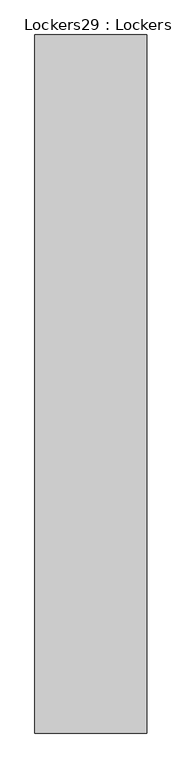
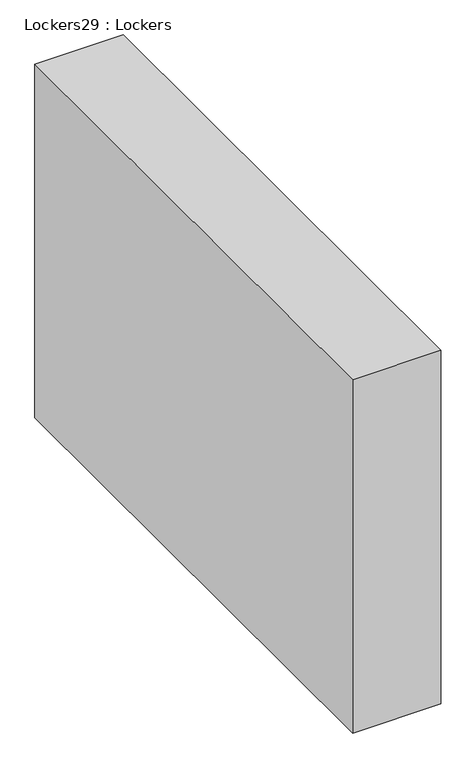
"""IFC4 building model written with IfcOpenShell, lengths in millimetres: furniture geometry, Lockers29 : Lockers."""

from ifc_helpers import new_model, si_unit, origin, origin_with_axes, place, context, project, spatial, polyline, outline, extrude, source, transform, mapped, element, save


def lockers29_lockers_87a3224b(model_context):
    return source(origin(), model_context, "Body", "SweptSolid", [
        extrude(outline(polyline([(-416495.2141271, -25530.4368178), (-416495.2141271, -28222.8368178), (-416927.0141271, -28222.8368178), (-416927.0141271, -25530.4368178), (-416495.2141271, -25530.4368178)])), origin_with_axes(), (0.0, 0.0, 1.0), 1828.8),
    ])


if __name__ == "__main__":
    model = new_model("IFC4")
    model_context = context("Model", 3, world=origin())
    ifc_project = project(units=[si_unit("LENGTHUNIT", "METRE", prefix="MILLI")], contexts=[model_context])
    site = spatial("IfcSite", under=ifc_project)
    building = spatial("IfcBuilding", under=site)
    placement = place(None, origin())
    lockers29_lockers_shape = lockers29_lockers_87a3224b(model_context)
    element("IfcFurniture", 1, ObjectType="Lockers29 : Lockers", at=placement, inside=building, context=model_context, shape_type="MappedRepresentation", body=[
        mapped(lockers29_lockers_shape, transform((0.0, 0.0, 0.0), x_axis=(1.0, 0.0, 0.0), y_axis=(0.0, 1.0, 0.0), z_axis=(0.0, 0.0, 1.0))),
    ])
    save(model, "model.ifc")
